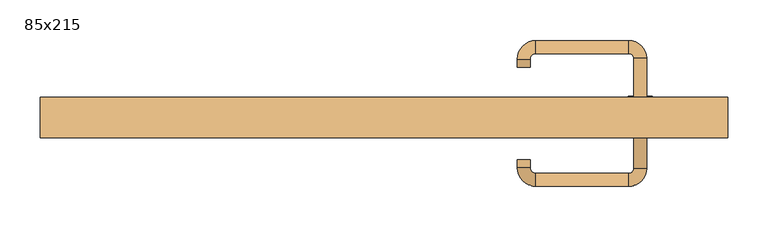
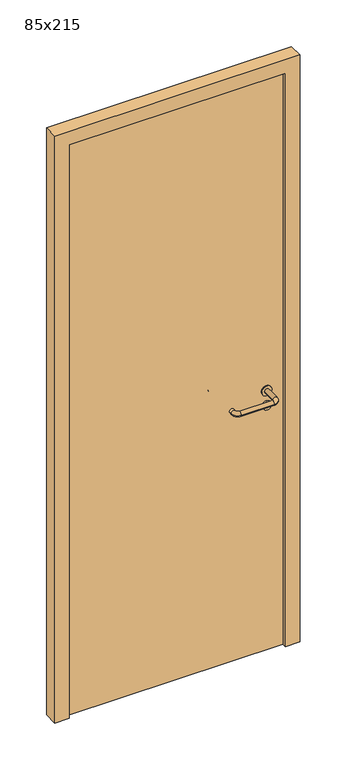
"""IFC4 building model written with IfcOpenShell, lengths in millimetres: door geometry, 85x215."""

from ifc_helpers import new_model, si_unit, point, frame, frame_2d, origin, origin_with_axes, place, context, project, spatial, polyline, circle_curve, ellipse_curve, trimmed, segment, composite_curve, outline, extrude, source, transform, mapped, element, save
from ifc_brep_helpers import plane_surface, cylinder_surface, revolved_surface, advanced_brep


def door_85x215_05afac75(model_context):
    return source(origin(), model_context, "Body", "SolidModel", [
        extrude(outline(composite_curve([segment(trimmed(circle_curve(frame_2d((897.3605726, 317.0)), 15.0), [point((897.3605726, 332.0))], [point((897.3605726, 302.0))], False, "CARTESIAN"), True, "CONTINUOUS"), segment(trimmed(circle_curve(frame_2d((897.3605726, 317.0)), 15.0), [point((897.3605726, 302.0))], [point((897.3605726, 332.0))], False, "CARTESIAN"), True, "CONTINUOUS")], self_intersect=False), holes=[composite_curve([segment(trimmed(circle_curve(frame_2d((892.5833211, 316.9398032)), 2.0), [point((892.5833211, 318.9398032))], [point((892.5833211, 314.9398032))], True, "CARTESIAN"), True, "CONTINUOUS"), segment(polyline([(892.5833211, 314.9398032), (902.5833211, 314.9398032)]), True, "CONTINUOUS"), segment(trimmed(circle_curve(frame_2d((902.5833211, 316.9398032)), 2.0), [point((902.5833211, 314.9398032))], [point((902.5833211, 318.9398032))], True, "CARTESIAN"), True, "CONTINUOUS"), segment(polyline([(902.5833211, 318.9398032), (892.5833211, 318.9398032)]), True, "CONTINUOUS")], self_intersect=False)]), frame((0.0, 8.65, 0.0), z_axis=(0.0, 1.0, 0.0), x_axis=(0.0, 0.0, 1.0)), (0.0, 0.0, 1.0), 6.35),
        extrude(outline(composite_curve([segment(trimmed(circle_curve(frame_2d((950.0, 317.0)), 17.526), [point((950.0, 334.526))], [point((950.0, 299.474))], False, "CARTESIAN"), True, "CONTINUOUS"), segment(trimmed(circle_curve(frame_2d((950.0, 317.0)), 17.526), [point((950.0, 299.474))], [point((950.0, 334.526))], False, "CARTESIAN"), True, "CONTINUOUS")], self_intersect=False)), frame((0.0, 11.825, 0.0), z_axis=(0.0, 1.0, 0.0), x_axis=(0.0, 0.0, 1.0)), (0.0, 0.0, 1.0), 3.175),
        advanced_brep(
        [(325.0, 15.0, 950.0), (309.0, 15.0, 950.0), (309.0, -38.0, 950.0), (325.0, -38.0, 950.0), (302.8578644, -44.1421356, 950.0), (302.8578644, -60.1421356, 950.0), (187.8578644, -44.1421356, 950.0), (187.8578644, -60.1421356, 950.0), (181.008622, -37.2928932, 950.0), (165.008622, -37.2928932, 950.0), (165.008622, -27.2928932, 950.0), (181.008622, -27.2928932, 950.0)],
        [
            (0, 1, circle_curve(frame((317.0, 15.0, 950.0), z_axis=(0.0, 1.0, 0.0), x_axis=(-1.0, 0.0, 0.0)), 8.0)),
            (1, 0, circle_curve(frame((317.0, 15.0, 950.0), z_axis=(0.0, 1.0, 0.0), x_axis=(-1.0, 0.0, 0.0)), 8.0)),
            (1, 2),
            (2, 3, circle_curve(frame((317.0, -38.0, 950.0), z_axis=(0.0, 1.0, 0.0), x_axis=(-1.0, 0.0, 0.0)), 8.0)),
            (3, 0),
            (3, 2, circle_curve(frame((317.0, -38.0, 950.0), z_axis=(0.0, 1.0, 0.0), x_axis=(-1.0, 0.0, 0.0)), 8.0)),
            (4, 5, circle_curve(frame((302.8578644, -52.1421356, 950.0), z_axis=(1.0, 0.0, 0.0), x_axis=(0.0, 1.0, 0.0)), 8.0)),
            (5, 3, circle_curve(frame((302.8578644, -38.0, 950.0), z_axis=(0.0, 0.0, 1.0), x_axis=(1.0, 0.0, 0.0)), 22.1421356)),
            (2, 4, circle_curve(frame((302.8578644, -38.0, 950.0), z_axis=(0.0, 0.0, -1.0), x_axis=(1.0, 0.0, 0.0)), 6.1421356)),
            (5, 4, circle_curve(frame((302.8578644, -52.1421356, 950.0), z_axis=(1.0, 0.0, 0.0), x_axis=(0.0, 1.0, 0.0)), 8.0)),
            (4, 6),
            (6, 7, circle_curve(frame((187.8578644, -52.1421356, 950.0), z_axis=(1.0, 0.0, 0.0), x_axis=(0.0, 1.0, 0.0)), 8.0)),
            (7, 5),
            (7, 6, circle_curve(frame((187.8578644, -52.1421356, 950.0), z_axis=(1.0, 0.0, 0.0), x_axis=(0.0, 1.0, 0.0)), 8.0)),
            (8, 9, circle_curve(frame((173.008622, -37.2928932, 950.0), z_axis=(0.0, -1.0, 0.0), x_axis=(1.0, 0.0, 0.0)), 8.0)),
            (9, 7, circle_curve(frame((187.8578644, -37.2928932, 950.0), z_axis=(0.0, 0.0, 1.0), x_axis=(0.0, -1.0, 0.0)), 22.8492424)),
            (6, 8, circle_curve(frame((187.8578644, -37.2928932, 950.0), z_axis=(0.0, 0.0, -1.0), x_axis=(0.0, -1.0, 0.0)), 6.8492424)),
            (9, 8, circle_curve(frame((173.008622, -37.2928932, 950.0), z_axis=(0.0, -1.0, 0.0), x_axis=(1.0, 0.0, 0.0)), 8.0)),
            (10, 11, circle_curve(frame((173.008622, -27.2928932, 950.0), z_axis=(0.0, 1.0, 0.0), x_axis=(1.0, 0.0, 0.0)), 8.0)),
            (11, 10, circle_curve(frame((173.008622, -27.2928932, 950.0), z_axis=(0.0, 1.0, 0.0), x_axis=(1.0, 0.0, 0.0)), 8.0)),
            (8, 11),
            (10, 9),
        ],
        [
            plane_surface(frame((317.0, 15.0, 170.0), z_axis=(0.0, 1.0, 0.0), x_axis=(0.0, 0.0, 1.0))),
            cylinder_surface(frame((317.0, 15.0, 950.0), z_axis=(0.0, 1.0, 0.0), x_axis=(-1.0, 0.0, 0.0)), 8.0),
            revolved_surface(trimmed(ellipse_curve(frame((317.0, -38.0, 950.0), z_axis=(0.0, -1.0, 0.0), x_axis=(-1.0, 0.0, 0.0)), 8.0, 8.0), [point((325.0, -38.0, 950.0))], [point((309.0, -38.0, 950.0))], True, "CARTESIAN"), (302.8578644, -38.0, 170.0), (0.0, 0.0, 1.0)),
            revolved_surface(trimmed(ellipse_curve(frame((317.0, -38.0, 950.0), z_axis=(0.0, -1.0, 0.0), x_axis=(-1.0, 0.0, 0.0)), 8.0, 8.0), [point((309.0, -38.0, 950.0))], [point((325.0, -38.0, 950.0))], True, "CARTESIAN"), (302.8578644, -38.0, 170.0), (0.0, 0.0, 1.0)),
            cylinder_surface(frame((302.8578644, -52.1421356, 950.0), z_axis=(1.0, 0.0, 0.0), x_axis=(0.0, 1.0, 0.0)), 8.0),
            revolved_surface(trimmed(ellipse_curve(frame((187.8578644, -52.1421356, 950.0), z_axis=(-1.0, 0.0, 0.0), x_axis=(0.0, 1.0, 0.0)), 8.0, 8.0), [point((187.8578644, -60.1421356, 950.0))], [point((187.8578644, -44.1421356, 950.0))], True, "CARTESIAN"), (187.8578644, -37.2928932, 170.0), (0.0, 0.0, 1.0)),
            revolved_surface(trimmed(ellipse_curve(frame((187.8578644, -52.1421356, 950.0), z_axis=(-1.0, 0.0, 0.0), x_axis=(0.0, 1.0, 0.0)), 8.0, 8.0), [point((187.8578644, -44.1421356, 950.0))], [point((187.8578644, -60.1421356, 950.0))], True, "CARTESIAN"), (187.8578644, -37.2928932, 170.0), (0.0, 0.0, 1.0)),
            plane_surface(frame((173.008622, -27.2928932, 170.0), z_axis=(0.0, 1.0, 0.0), x_axis=(0.0, 0.0, 1.0))),
            cylinder_surface(frame((173.008622, -37.2928932, 950.0), z_axis=(0.0, -1.0, 0.0), x_axis=(1.0, 0.0, 0.0)), 8.0),
        ],
        [
            (0, [[1, 2]]),
            (1, [[3, 4, 5, -2]]),
            (1, [[-5, 6, -3, -1]]),
            (2, [[7, 8, -4, 9]]),
            (3, [[10, -9, -6, -8]]),
            (4, [[11, 12, 13, -7]]),
            (4, [[-13, 14, -11, -10]]),
            (5, [[15, 16, -12, 17]]),
            (6, [[18, -17, -14, -16]]),
            (7, [[19, 20]]),
            (8, [[21, -19, 22, -15]]),
            (8, [[-22, -20, -21, -18]]),
        ],
    ),
        extrude(outline(composite_curve([segment(trimmed(circle_curve(frame_2d((0.0, -15.0)), 15.0), [point((0.0, -30.0))], [point((0.0, 0.0))], False, "CARTESIAN"), True, "CONTINUOUS"), segment(trimmed(circle_curve(frame_2d((0.0, -15.0)), 15.0), [point((0.0, 0.0))], [point((0.0, -30.0))], False, "CARTESIAN"), True, "CONTINUOUS")], self_intersect=False), holes=[composite_curve([segment(trimmed(circle_curve(frame_2d((4.7772515, -14.9398032)), 2.0), [point((4.7772515, -16.9398032))], [point((4.7772515, -12.9398032))], True, "CARTESIAN"), True, "CONTINUOUS"), segment(polyline([(4.7772515, -12.9398032), (-5.2227485, -12.9398032)]), True, "CONTINUOUS"), segment(trimmed(circle_curve(frame_2d((-5.2227485, -14.9398032)), 2.0), [point((-5.2227485, -12.9398032))], [point((-5.2227485, -16.9398032))], True, "CARTESIAN"), True, "CONTINUOUS"), segment(polyline([(-5.2227485, -16.9398032), (4.7772515, -16.9398032)]), True, "CONTINUOUS")], self_intersect=False)]), frame((302.0, 45.0, 897.3605726), z_axis=(1.8870575173328306e-12, 1.0, 0.0), x_axis=(0.0, 0.0, -1.0)), (0.0, 0.0, 1.0), 6.35),
        extrude(outline(composite_curve([segment(trimmed(circle_curve(frame_2d((0.0, -17.526)), 17.526), [point((0.0, -35.052))], [point((0.0, 0.0))], False, "CARTESIAN"), True, "CONTINUOUS"), segment(trimmed(circle_curve(frame_2d((0.0, -17.526)), 17.526), [point((0.0, 0.0))], [point((0.0, -35.052))], False, "CARTESIAN"), True, "CONTINUOUS")], self_intersect=False)), frame((299.474, 45.0, 950.0), z_axis=(1.8870575173328306e-12, 1.0, 0.0), x_axis=(0.0, 0.0, -1.0)), (0.0, 0.0, 1.0), 3.175),
        advanced_brep(
        [(325.0, 45.0, 950.0), (309.0, 45.0, 950.0), (325.0, 98.0, 950.0), (309.0, 98.0, 950.0), (302.8578644, 104.1421356, 950.0), (302.8578644, 120.1421356, 950.0), (187.8578644, 120.1421356, 950.0), (187.8578644, 104.1421356, 950.0), (181.008622, 97.2928932, 950.0), (165.008622, 97.2928932, 950.0), (165.008622, 87.2928932, 950.0), (181.008622, 87.2928932, 950.0)],
        [
            (0, 1, circle_curve(frame((317.0, 45.0, 950.0), z_axis=(-1.888672253512351e-12, -1.0, 0.0), x_axis=(-1.0, 1.888672253512351e-12, 0.0)), 8.0)),
            (1, 0, circle_curve(frame((317.0, 45.0, 950.0), z_axis=(-1.888672253512351e-12, -1.0, 0.0), x_axis=(-1.0, 1.888672253512351e-12, 0.0)), 8.0)),
            (0, 2),
            (2, 3, circle_curve(frame((317.0, 98.0, 950.0), z_axis=(-1.888672253512351e-12, -1.0, 0.0), x_axis=(-1.0, 1.888672253512351e-12, 0.0)), 8.0)),
            (3, 1),
            (3, 2, circle_curve(frame((317.0, 98.0, 950.0), z_axis=(-1.888672253512351e-12, -1.0, 0.0), x_axis=(-1.0, 1.888672253512351e-12, 0.0)), 8.0)),
            (4, 3, circle_curve(frame((302.8578644, 98.0, 950.0), z_axis=(0.0, 0.0, -1.0), x_axis=(1.0, -1.880717803715015e-12, 0.0)), 6.1421356)),
            (2, 5, circle_curve(frame((302.8578644, 98.0, 950.0), z_axis=(0.0, 0.0, 1.0), x_axis=(1.0, -1.880717803715015e-12, 0.0)), 22.1421356)),
            (5, 4, circle_curve(frame((302.8578644, 112.1421356, 950.0), z_axis=(1.0, -1.913702061528922e-12, 0.0), x_axis=(-1.913702061528922e-12, -1.0, 0.0)), 8.0)),
            (4, 5, circle_curve(frame((302.8578644, 112.1421356, 950.0), z_axis=(1.0, -1.913702061528922e-12, 0.0), x_axis=(-1.913702061528922e-12, -1.0, 0.0)), 8.0)),
            (5, 6),
            (6, 7, circle_curve(frame((187.8578644, 112.1421356, 950.0), z_axis=(1.0, -1.913719828541269e-12, 0.0), x_axis=(-1.913719828541269e-12, -1.0, 0.0)), 8.0)),
            (7, 4),
            (7, 6, circle_curve(frame((187.8578644, 112.1421356, 950.0), z_axis=(1.0, -1.913719828541269e-12, 0.0), x_axis=(-1.913719828541269e-12, -1.0, 0.0)), 8.0)),
            (8, 7, circle_curve(frame((187.8578644, 97.2928932, 950.0), z_axis=(0.0, 0.0, -1.0), x_axis=(1.9120873253494017e-12, 1.0, 0.0)), 6.8492424)),
            (6, 9, circle_curve(frame((187.8578644, 97.2928932, 950.0), z_axis=(0.0, 0.0, 1.0), x_axis=(1.9120873253494017e-12, 1.0, 0.0)), 22.8492424)),
            (9, 8, circle_curve(frame((173.008622, 97.2928932, 950.0), z_axis=(1.890670654956676e-12, 1.0, 0.0), x_axis=(1.0, -1.890670654956676e-12, 0.0)), 8.0)),
            (8, 9, circle_curve(frame((173.008622, 97.2928932, 950.0), z_axis=(1.890226565746826e-12, 1.0, 0.0), x_axis=(1.0, -1.890226565746826e-12, 0.0)), 8.0)),
            (10, 11, circle_curve(frame((173.008622, 87.2928932, 950.0), z_axis=(-1.8903642334018795e-12, -1.0, 0.0), x_axis=(1.0, -1.8903642334018795e-12, 0.0)), 8.0)),
            (11, 10, circle_curve(frame((173.008622, 87.2928932, 950.0), z_axis=(-1.8903642334018795e-12, -1.0, 0.0), x_axis=(1.0, -1.8903642334018795e-12, 0.0)), 8.0)),
            (9, 10),
            (11, 8),
        ],
        [
            plane_surface(frame((317.0, 45.0, 170.0), z_axis=(-1.8870575173328306e-12, -1.0, 0.0), x_axis=(0.0, 0.0, 1.0))),
            cylinder_surface(frame((317.0, 45.0, 950.0), z_axis=(-1.888672253512351e-12, -1.0, 0.0), x_axis=(-1.0, 1.888672253512351e-12, 0.0)), 8.0),
            revolved_surface(trimmed(ellipse_curve(frame((317.0, 98.0, 950.0), z_axis=(-1.8823325398945356e-12, -1.0, 0.0), x_axis=(-1.0, 1.8823325398945356e-12, 0.0)), 8.0, 8.0), [point((325.0, 98.0, 950.0))], [point((309.0, 98.0, 950.0))], True, "CARTESIAN"), (302.8578644, 98.0, 170.0), (0.0, 0.0, 1.0)),
            revolved_surface(trimmed(ellipse_curve(frame((317.0, 98.0, 950.0), z_axis=(-1.8823325398945356e-12, -1.0, 0.0), x_axis=(-1.0, 1.8823325398945356e-12, 0.0)), 8.0, 8.0), [point((309.0, 98.0, 950.0))], [point((325.0, 98.0, 950.0))], True, "CARTESIAN"), (302.8578644, 98.0, 170.0), (0.0, 0.0, 1.0)),
            cylinder_surface(frame((302.8578644, 112.1421356, 950.0), z_axis=(1.0, -1.913719828541269e-12, 0.0), x_axis=(-1.913719828541269e-12, -1.0, 0.0)), 8.0),
            revolved_surface(trimmed(ellipse_curve(frame((187.8578644, 112.1421356, 950.0), z_axis=(1.0, -1.913702061528922e-12, 0.0), x_axis=(-1.913702061528922e-12, -1.0, 0.0)), 8.0, 8.0), [point((187.8578644, 120.1421356, 950.0))], [point((187.8578644, 104.1421356, 950.0))], True, "CARTESIAN"), (187.8578644, 97.2928932, 170.0), (0.0, 0.0, 1.0)),
            revolved_surface(trimmed(ellipse_curve(frame((187.8578644, 112.1421356, 950.0), z_axis=(1.0, -1.913702061528922e-12, 0.0), x_axis=(-1.913702061528922e-12, -1.0, 0.0)), 8.0, 8.0), [point((187.8578644, 104.1421356, 950.0))], [point((187.8578644, 120.1421356, 950.0))], True, "CARTESIAN"), (187.8578644, 97.2928932, 170.0), (0.0, 0.0, 1.0)),
            plane_surface(frame((173.008622, 87.2928932, 170.0), z_axis=(-1.8887494972223595e-12, -1.0, 0.0), x_axis=(0.0, 0.0, 1.0))),
            cylinder_surface(frame((173.008622, 97.2928932, 950.0), z_axis=(1.8903642334018795e-12, 1.0, 0.0), x_axis=(1.0, -1.8903642334018795e-12, 0.0)), 8.0),
        ],
        [
            (0, [[1, 2]]),
            (1, [[-1, 3, 4, 5]]),
            (1, [[-2, -5, 6, -3]]),
            (2, [[7, -4, 8, 9]]),
            (3, [[-8, -6, -7, 10]]),
            (4, [[-9, 11, 12, 13]]),
            (4, [[-10, -13, 14, -11]]),
            (5, [[15, -12, 16, 17]]),
            (6, [[-16, -14, -15, 18]]),
            (7, [[19, 20]]),
            (8, [[-17, 21, -20, 22]]),
            (8, [[-18, -22, -19, -21]]),
        ],
    ),
        extrude(outline(polyline([(2100.0, 375.0), (0.0, 375.0), (0.0, 425.0), (2150.0, 425.0), (2150.0, -425.0), (0.0, -425.0), (0.0, -375.0), (2100.0, -375.0), (2100.0, 375.0)])), frame((0.0, 0.0, 0.0), z_axis=(0.0, 1.0, 0.0), x_axis=(0.0, 0.0, 1.0)), (0.0, 0.0, 1.0), 50.0),
        extrude(outline(polyline([(-375.0, 45.0), (375.0, 45.0), (375.0, 15.0), (-375.0, 15.0), (-375.0, 45.0)])), origin_with_axes(), (0.0, 0.0, 1.0), 2100.0),
    ])


if __name__ == "__main__":
    model = new_model("IFC4")
    model_context = context("Model", 3, world=origin())
    ifc_project = project(units=[si_unit("LENGTHUNIT", "METRE", prefix="MILLI")], contexts=[model_context])
    site = spatial("IfcSite", under=ifc_project)
    building = spatial("IfcBuilding", under=site)
    placement = place(None, origin())
    door_85x215_shape = door_85x215_05afac75(model_context)
    element("IfcDoor", 1, ObjectType="85x215", at=placement, inside=building, context=model_context, shape_type="MappedRepresentation", body=[
        mapped(door_85x215_shape, transform((0.0, 0.0, 0.0), x_axis=(1.0, 0.0, 0.0), y_axis=(0.0, 1.0, 0.0), z_axis=(0.0, 0.0, 1.0))),
    ])
    save(model, "model.ifc")
